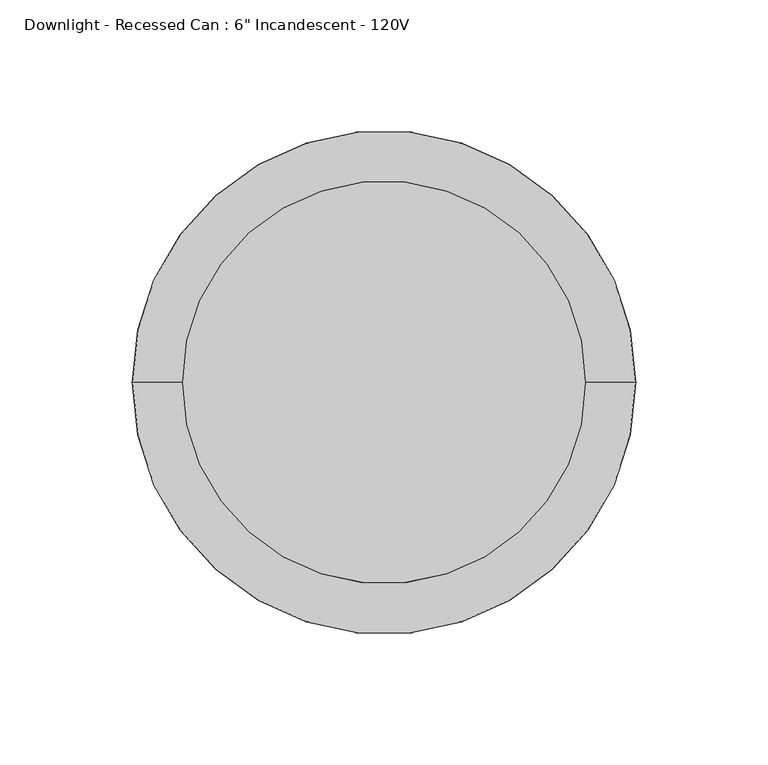
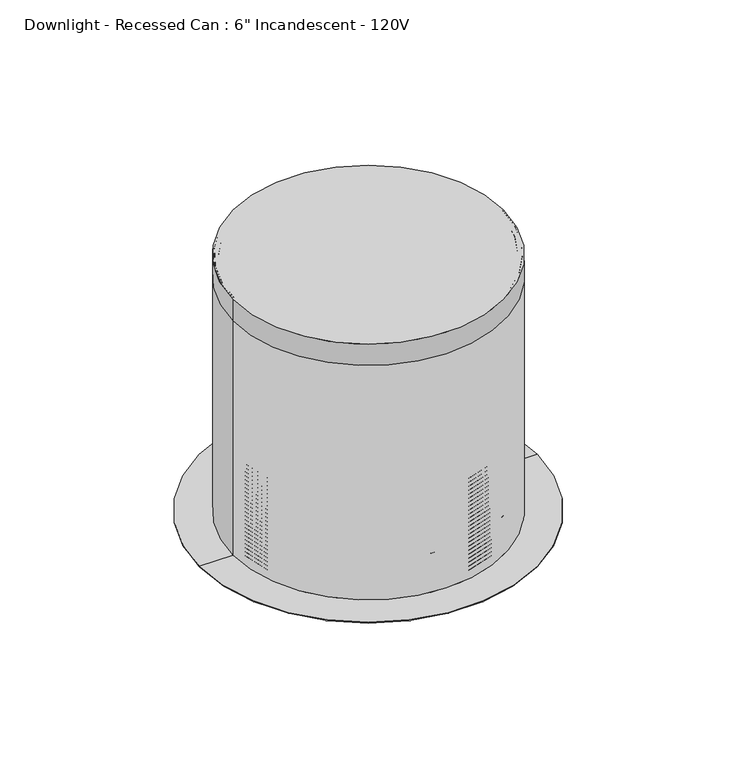
"""IFC4 building model written with IfcOpenShell, lengths in millimetres: light fixture geometry."""

from ifc_helpers import new_model, si_unit, point, frame, origin, origin_2d, place, context, project, spatial, polyline, circle_curve, ellipse_curve, trimmed, segment, composite_curve, outline, extrude, source, transform, mapped, element, save
from ifc_brep_helpers import plane_surface, cylinder_surface, revolved_surface, advanced_brep


def light_fixture_9afefb26(model_context):
    return source(origin(), model_context, "Body", "SolidModel", [
        extrude(outline(composite_curve([segment(trimmed(circle_curve(origin_2d(), 76.2), [point((-76.2, 0.0))], [point((76.2, 0.0))], False, "CARTESIAN"), True, "CONTINUOUS"), segment(trimmed(circle_curve(origin_2d(), 76.2), [point((76.2, 0.0))], [point((-76.2, 0.0))], False, "CARTESIAN"), True, "CONTINUOUS")], self_intersect=False)), frame((0.0, 0.0, 2578.1), z_axis=(0.0, 0.0, 1.0), x_axis=(1.0, 0.0, 0.0)), (0.0, 0.0, 1.0), 12.7),
        advanced_brep(
        [(-75.4062638, 0.0, 2461.1274041), (75.4062638, 0.0, 2461.1274041), (75.4062638, 0.0, 2460.2502292), (-75.4062638, 0.0, 2460.2502292), (0.0, 0.0, 2444.750067), (0.0, 0.0, 2443.95625)],
        [
            (0, 1, circle_curve(frame((0.0, 0.0, 2461.1274041), z_axis=(0.0, 0.0, -1.0), x_axis=(1.0, 0.0, 0.0)), 75.4062638)),
            (1, 2),
            (2, 3, circle_curve(frame((0.0, 0.0, 2460.2502292), z_axis=(0.0, 0.0, 1.0), x_axis=(1.0, 0.0, 0.0)), 75.4062638)),
            (3, 0),
            (1, 0, circle_curve(frame((0.0, 0.0, 2461.1274041), z_axis=(0.0, 0.0, -1.0), x_axis=(1.0, 0.0, 0.0)), 75.4062638)),
            (3, 2, circle_curve(frame((0.0, 0.0, 2460.2502292), z_axis=(0.0, 0.0, 1.0), x_axis=(1.0, 0.0, 0.0)), 75.4062638)),
            (4, 1, circle_curve(frame((2.2331891, 0.0, 2616.2531893), z_axis=(0.0, -1.0, 0.0), x_axis=(1.0, 0.0, 0.0)), 171.5176612)),
            (0, 4, circle_curve(frame((-2.2331891, 0.0, 2616.2531893), z_axis=(0.0, -1.0, 0.0), x_axis=(-1.0, 0.0, 0.0)), 171.5176612)),
            (2, 5, circle_curve(frame((2.2331891, 0.0, 2616.2531893), z_axis=(0.0, 1.0, 0.0), x_axis=(1.0, 0.0, 0.0)), 172.3114112)),
            (5, 3, circle_curve(frame((-2.2331891, 0.0, 2616.2531893), z_axis=(0.0, 1.0, 0.0), x_axis=(-1.0, 0.0, 0.0)), 172.3114112)),
        ],
        [
            cylinder_surface(frame((0.0, 0.0, 2483.4474833), z_axis=(0.0, 0.0, 1.0), x_axis=(1.0, 0.0, 0.0)), 75.4062638),
            revolved_surface(trimmed(ellipse_curve(frame((2.2331891, 0.0, 2616.2531893), z_axis=(0.0, 1.0, 0.0), x_axis=(1.0, 0.0, 0.0)), 171.5176612, 171.5176612), [point((75.4062638, 0.0, 2461.1274041))], [point((0.0, 0.0, 2444.750067))], True, "CARTESIAN"), (0.0, 0.0, 2483.4474833), (0.0, 0.0, 1.0)),
            revolved_surface(trimmed(ellipse_curve(frame((2.2331891, 0.0, 2616.2531893), z_axis=(0.0, -1.0, 0.0), x_axis=(1.0, 0.0, 0.0)), 172.3114112, 172.3114112), [point((0.0, 0.0, 2443.95625))], [point((75.4062638, 0.0, 2460.2502292))], True, "CARTESIAN"), (0.0, 0.0, 2483.4474833), (0.0, 0.0, 1.0)),
        ],
        [
            (0, [[1, 2, 3, 4]]),
            (0, [[5, -4, 6, -2]]),
            (1, [[7, -1, 8]]),
            (1, [[-8, -5, -7]]),
            (2, [[-3, 9, 10]]),
            (2, [[-6, -10, -9]]),
        ],
    ),
        advanced_brep(
        [(0.0, -75.40625, 2590.8), (0.0, 75.40625, 2590.8), (0.0, 75.40625, 2438.4), (0.0, -75.40625, 2438.4), (0.0, -73.025, 2590.8), (0.0, 73.025, 2590.8), (0.0, -73.025, 2497.93125), (0.0, 73.025, 2497.93125), (0.0, -74.215625, 2496.740625), (0.0, 74.215625, 2496.740625), (0.0, -73.025, 2495.55), (0.0, 73.025, 2495.55), (0.0, -74.215625, 2494.359375), (0.0, 74.215625, 2494.359375), (0.0, -73.025, 2493.16875), (0.0, 73.025, 2493.16875), (0.0, -74.215625, 2491.978125), (0.0, 74.215625, 2491.978125), (0.0, -73.025, 2490.7875), (0.0, 73.025, 2490.7875), (0.0, -74.215625, 2489.596875), (0.0, 74.215625, 2489.596875), (0.0, -73.025, 2488.40625), (0.0, 73.025, 2488.40625), (0.0, -74.215625, 2487.215625), (0.0, 74.215625, 2487.215625), (0.0, -73.025, 2486.025), (0.0, 73.025, 2486.025), (0.0, -74.215625, 2484.834375), (0.0, 74.215625, 2484.834375), (0.0, -73.025, 2483.64375), (0.0, 73.025, 2483.64375), (0.0, -74.215625, 2482.453125), (0.0, 74.215625, 2482.453125), (0.0, -73.025, 2481.2625), (0.0, 73.025, 2481.2625), (0.0, -74.215625, 2480.071875), (0.0, 74.215625, 2480.071875), (0.0, -73.025, 2478.88125), (0.0, 73.025, 2478.88125), (0.0, -74.215625, 2477.690625), (0.0, 74.215625, 2477.690625), (0.0, -73.025, 2476.5), (0.0, 73.025, 2476.5), (0.0, -74.215625, 2475.309375), (0.0, 74.215625, 2475.309375), (0.0, -73.025, 2474.11875), (0.0, 73.025, 2474.11875), (0.0, -74.215625, 2472.928125), (0.0, 74.215625, 2472.928125), (0.0, -73.025, 2471.7375), (0.0, 73.025, 2471.7375), (0.0, -74.215625, 2470.546875), (0.0, 74.215625, 2470.546875), (0.0, -73.025, 2469.35625), (0.0, 73.025, 2469.35625), (0.0, -74.215625, 2468.165625), (0.0, 74.215625, 2468.165625), (0.0, -73.025, 2466.975), (0.0, 73.025, 2466.975), (0.0, -74.215625, 2465.784375), (0.0, 74.215625, 2465.784375), (0.0, -73.025, 2464.59375), (0.0, 73.025, 2464.59375), (0.0, -74.215625, 2463.403125), (0.0, 74.215625, 2463.403125), (0.0, -73.025, 2462.2125), (0.0, 73.025, 2462.2125), (0.0, -74.215625, 2461.021875), (0.0, 74.215625, 2461.021875), (0.0, -73.025, 2459.83125), (0.0, 73.025, 2459.83125), (0.0, -74.215625, 2458.640625), (0.0, 74.215625, 2458.640625), (0.0, -73.025, 2457.45), (0.0, 73.025, 2457.45), (0.0, -74.215625, 2456.259375), (0.0, 74.215625, 2456.259375), (0.0, -73.025, 2455.06875), (0.0, 73.025, 2455.06875), (0.0, -74.215625, 2453.878125), (0.0, 74.215625, 2453.878125), (0.0, -73.025, 2452.6875), (0.0, 73.025, 2452.6875), (0.0, -74.215625, 2451.496875), (0.0, 74.215625, 2451.496875), (0.0, -73.025, 2450.30625), (0.0, 73.025, 2450.30625), (0.0, -74.215625, 2449.115625), (0.0, 74.215625, 2449.115625), (0.0, -73.025, 2447.925), (0.0, 73.025, 2447.925), (0.0, -74.215625, 2446.734375), (0.0, 74.215625, 2446.734375), (0.0, -73.025, 2445.54375), (0.0, 73.025, 2445.54375), (0.0, -74.215625, 2444.353125), (0.0, 74.215625, 2444.353125), (0.0, -73.025, 2443.1625), (0.0, 73.025, 2443.1625), (0.0, -74.215625, 2441.971875), (0.0, 74.215625, 2441.971875), (0.0, -73.025, 2440.78125), (0.0, 73.025, 2440.78125)],
        [
            (0, 1, circle_curve(frame((0.0, 0.0, 2590.8), z_axis=(0.0, 0.0, -1.0), x_axis=(0.0, 1.0, 0.0)), 75.40625)),
            (1, 2),
            (2, 3, circle_curve(frame((0.0, 0.0, 2438.4), z_axis=(0.0, 0.0, 1.0), x_axis=(0.0, 1.0, 0.0)), 75.40625)),
            (3, 0),
            (1, 0, circle_curve(frame((0.0, 0.0, 2590.8), z_axis=(0.0, 0.0, -1.0), x_axis=(0.0, 1.0, 0.0)), 75.40625)),
            (3, 2, circle_curve(frame((0.0, 0.0, 2438.4), z_axis=(0.0, 0.0, 1.0), x_axis=(0.0, 1.0, 0.0)), 75.40625)),
            (4, 5, circle_curve(frame((0.0, 0.0, 2590.8), z_axis=(0.0, 0.0, -1.0), x_axis=(0.0, 1.0, 0.0)), 73.025)),
            (5, 1),
            (0, 4),
            (5, 4, circle_curve(frame((0.0, 0.0, 2590.8), z_axis=(0.0, 0.0, -1.0), x_axis=(0.0, 1.0, 0.0)), 73.025)),
            (6, 7, circle_curve(frame((0.0, 0.0, 2497.93125), z_axis=(0.0, 0.0, -1.0), x_axis=(0.0, 1.0, 0.0)), 73.025)),
            (7, 5),
            (4, 6),
            (7, 6, circle_curve(frame((0.0, 0.0, 2497.93125), z_axis=(0.0, 0.0, -1.0), x_axis=(0.0, 1.0, 0.0)), 73.025)),
            (8, 9, circle_curve(frame((0.0, 0.0, 2496.740625), z_axis=(0.0, 0.0, -1.0), x_axis=(0.0, 1.0, 0.0)), 74.215625)),
            (9, 7),
            (6, 8),
            (9, 8, circle_curve(frame((0.0, 0.0, 2496.740625), z_axis=(0.0, 0.0, -1.0), x_axis=(0.0, 1.0, 0.0)), 74.215625)),
            (10, 11, circle_curve(frame((0.0, 0.0, 2495.55), z_axis=(0.0, 0.0, -1.0), x_axis=(0.0, 1.0, 0.0)), 73.025)),
            (11, 9),
            (8, 10),
            (11, 10, circle_curve(frame((0.0, 0.0, 2495.55), z_axis=(0.0, 0.0, -1.0), x_axis=(0.0, 1.0, 0.0)), 73.025)),
            (12, 13, circle_curve(frame((0.0, 0.0, 2494.359375), z_axis=(0.0, 0.0, -1.0), x_axis=(0.0, 1.0, 0.0)), 74.215625)),
            (13, 11),
            (10, 12),
            (13, 12, circle_curve(frame((0.0, 0.0, 2494.359375), z_axis=(0.0, 0.0, -1.0), x_axis=(0.0, 1.0, 0.0)), 74.215625)),
            (14, 15, circle_curve(frame((0.0, 0.0, 2493.16875), z_axis=(0.0, 0.0, -1.0), x_axis=(0.0, 1.0, 0.0)), 73.025)),
            (15, 13),
            (12, 14),
            (15, 14, circle_curve(frame((0.0, 0.0, 2493.16875), z_axis=(0.0, 0.0, -1.0), x_axis=(0.0, 1.0, 0.0)), 73.025)),
            (16, 17, circle_curve(frame((0.0, 0.0, 2491.978125), z_axis=(0.0, 0.0, -1.0), x_axis=(0.0, 1.0, 0.0)), 74.215625)),
            (17, 15),
            (14, 16),
            (17, 16, circle_curve(frame((0.0, 0.0, 2491.978125), z_axis=(0.0, 0.0, -1.0), x_axis=(0.0, 1.0, 0.0)), 74.215625)),
            (18, 19, circle_curve(frame((0.0, 0.0, 2490.7875), z_axis=(0.0, 0.0, -1.0), x_axis=(0.0, 1.0, 0.0)), 73.025)),
            (19, 17),
            (16, 18),
            (19, 18, circle_curve(frame((0.0, 0.0, 2490.7875), z_axis=(0.0, 0.0, -1.0), x_axis=(0.0, 1.0, 0.0)), 73.025)),
            (20, 21, circle_curve(frame((0.0, 0.0, 2489.596875), z_axis=(0.0, 0.0, -1.0), x_axis=(0.0, 1.0, 0.0)), 74.215625)),
            (21, 19),
            (18, 20),
            (21, 20, circle_curve(frame((0.0, 0.0, 2489.596875), z_axis=(0.0, 0.0, -1.0), x_axis=(0.0, 1.0, 0.0)), 74.215625)),
            (22, 23, circle_curve(frame((0.0, 0.0, 2488.40625), z_axis=(0.0, 0.0, -1.0), x_axis=(0.0, 1.0, 0.0)), 73.025)),
            (23, 21),
            (20, 22),
            (23, 22, circle_curve(frame((0.0, 0.0, 2488.40625), z_axis=(0.0, 0.0, -1.0), x_axis=(0.0, 1.0, 0.0)), 73.025)),
            (24, 25, circle_curve(frame((0.0, 0.0, 2487.215625), z_axis=(0.0, 0.0, -1.0), x_axis=(0.0, 1.0, 0.0)), 74.215625)),
            (25, 23),
            (22, 24),
            (25, 24, circle_curve(frame((0.0, 0.0, 2487.215625), z_axis=(0.0, 0.0, -1.0), x_axis=(0.0, 1.0, 0.0)), 74.215625)),
            (26, 27, circle_curve(frame((0.0, 0.0, 2486.025), z_axis=(0.0, 0.0, -1.0), x_axis=(0.0, 1.0, 0.0)), 73.025)),
            (27, 25),
            (24, 26),
            (27, 26, circle_curve(frame((0.0, 0.0, 2486.025), z_axis=(0.0, 0.0, -1.0), x_axis=(0.0, 1.0, 0.0)), 73.025)),
            (28, 29, circle_curve(frame((0.0, 0.0, 2484.834375), z_axis=(0.0, 0.0, -1.0), x_axis=(0.0, 1.0, 0.0)), 74.215625)),
            (29, 27),
            (26, 28),
            (29, 28, circle_curve(frame((0.0, 0.0, 2484.834375), z_axis=(0.0, 0.0, -1.0), x_axis=(0.0, 1.0, 0.0)), 74.215625)),
            (30, 31, circle_curve(frame((0.0, 0.0, 2483.64375), z_axis=(0.0, 0.0, -1.0), x_axis=(0.0, 1.0, 0.0)), 73.025)),
            (31, 29),
            (28, 30),
            (31, 30, circle_curve(frame((0.0, 0.0, 2483.64375), z_axis=(0.0, 0.0, -1.0), x_axis=(0.0, 1.0, 0.0)), 73.025)),
            (32, 33, circle_curve(frame((0.0, 0.0, 2482.453125), z_axis=(0.0, 0.0, -1.0), x_axis=(0.0, 1.0, 0.0)), 74.215625)),
            (33, 31),
            (30, 32),
            (33, 32, circle_curve(frame((0.0, 0.0, 2482.453125), z_axis=(0.0, 0.0, -1.0), x_axis=(0.0, 1.0, 0.0)), 74.215625)),
            (34, 35, circle_curve(frame((0.0, 0.0, 2481.2625), z_axis=(0.0, 0.0, -1.0), x_axis=(0.0, 1.0, 0.0)), 73.025)),
            (35, 33),
            (32, 34),
            (35, 34, circle_curve(frame((0.0, 0.0, 2481.2625), z_axis=(0.0, 0.0, -1.0), x_axis=(0.0, 1.0, 0.0)), 73.025)),
            (36, 37, circle_curve(frame((0.0, 0.0, 2480.071875), z_axis=(0.0, 0.0, -1.0), x_axis=(0.0, 1.0, 0.0)), 74.215625)),
            (37, 35),
            (34, 36),
            (37, 36, circle_curve(frame((0.0, 0.0, 2480.071875), z_axis=(0.0, 0.0, -1.0), x_axis=(0.0, 1.0, 0.0)), 74.215625)),
            (38, 39, circle_curve(frame((0.0, 0.0, 2478.88125), z_axis=(0.0, 0.0, -1.0), x_axis=(0.0, 1.0, 0.0)), 73.025)),
            (39, 37),
            (36, 38),
            (39, 38, circle_curve(frame((0.0, 0.0, 2478.88125), z_axis=(0.0, 0.0, -1.0), x_axis=(0.0, 1.0, 0.0)), 73.025)),
            (40, 41, circle_curve(frame((0.0, 0.0, 2477.690625), z_axis=(0.0, 0.0, -1.0), x_axis=(0.0, 1.0, 0.0)), 74.215625)),
            (41, 39),
            (38, 40),
            (41, 40, circle_curve(frame((0.0, 0.0, 2477.690625), z_axis=(0.0, 0.0, -1.0), x_axis=(0.0, 1.0, 0.0)), 74.215625)),
            (42, 43, circle_curve(frame((0.0, 0.0, 2476.5), z_axis=(0.0, 0.0, -1.0), x_axis=(0.0, 1.0, 0.0)), 73.025)),
            (43, 41),
            (40, 42),
            (43, 42, circle_curve(frame((0.0, 0.0, 2476.5), z_axis=(0.0, 0.0, -1.0), x_axis=(0.0, 1.0, 0.0)), 73.025)),
            (44, 45, circle_curve(frame((0.0, 0.0, 2475.309375), z_axis=(0.0, 0.0, -1.0), x_axis=(0.0, 1.0, 0.0)), 74.215625)),
            (45, 43),
            (42, 44),
            (45, 44, circle_curve(frame((0.0, 0.0, 2475.309375), z_axis=(0.0, 0.0, -1.0), x_axis=(0.0, 1.0, 0.0)), 74.215625)),
            (46, 47, circle_curve(frame((0.0, 0.0, 2474.11875), z_axis=(0.0, 0.0, -1.0), x_axis=(0.0, 1.0, 0.0)), 73.025)),
            (47, 45),
            (44, 46),
            (47, 46, circle_curve(frame((0.0, 0.0, 2474.11875), z_axis=(0.0, 0.0, -1.0), x_axis=(0.0, 1.0, 0.0)), 73.025)),
            (48, 49, circle_curve(frame((0.0, 0.0, 2472.928125), z_axis=(0.0, 0.0, -1.0), x_axis=(0.0, 1.0, 0.0)), 74.215625)),
            (49, 47),
            (46, 48),
            (49, 48, circle_curve(frame((0.0, 0.0, 2472.928125), z_axis=(0.0, 0.0, -1.0), x_axis=(0.0, 1.0, 0.0)), 74.215625)),
            (50, 51, circle_curve(frame((0.0, 0.0, 2471.7375), z_axis=(0.0, 0.0, -1.0), x_axis=(0.0, 1.0, 0.0)), 73.025)),
            (51, 49),
            (48, 50),
            (51, 50, circle_curve(frame((0.0, 0.0, 2471.7375), z_axis=(0.0, 0.0, -1.0), x_axis=(0.0, 1.0, 0.0)), 73.025)),
            (52, 53, circle_curve(frame((0.0, 0.0, 2470.546875), z_axis=(0.0, 0.0, -1.0), x_axis=(0.0, 1.0, 0.0)), 74.215625)),
            (53, 51),
            (50, 52),
            (53, 52, circle_curve(frame((0.0, 0.0, 2470.546875), z_axis=(0.0, 0.0, -1.0), x_axis=(0.0, 1.0, 0.0)), 74.215625)),
            (54, 55, circle_curve(frame((0.0, 0.0, 2469.35625), z_axis=(0.0, 0.0, -1.0), x_axis=(0.0, 1.0, 0.0)), 73.025)),
            (55, 53),
            (52, 54),
            (55, 54, circle_curve(frame((0.0, 0.0, 2469.35625), z_axis=(0.0, 0.0, -1.0), x_axis=(0.0, 1.0, 0.0)), 73.025)),
            (56, 57, circle_curve(frame((0.0, 0.0, 2468.165625), z_axis=(0.0, 0.0, -1.0), x_axis=(0.0, 1.0, 0.0)), 74.215625)),
            (57, 55),
            (54, 56),
            (57, 56, circle_curve(frame((0.0, 0.0, 2468.165625), z_axis=(0.0, 0.0, -1.0), x_axis=(0.0, 1.0, 0.0)), 74.215625)),
            (58, 59, circle_curve(frame((0.0, 0.0, 2466.975), z_axis=(0.0, 0.0, -1.0), x_axis=(0.0, 1.0, 0.0)), 73.025)),
            (59, 57),
            (56, 58),
            (59, 58, circle_curve(frame((0.0, 0.0, 2466.975), z_axis=(0.0, 0.0, -1.0), x_axis=(0.0, 1.0, 0.0)), 73.025)),
            (60, 61, circle_curve(frame((0.0, 0.0, 2465.784375), z_axis=(0.0, 0.0, -1.0), x_axis=(0.0, 1.0, 0.0)), 74.215625)),
            (61, 59),
            (58, 60),
            (61, 60, circle_curve(frame((0.0, 0.0, 2465.784375), z_axis=(0.0, 0.0, -1.0), x_axis=(0.0, 1.0, 0.0)), 74.215625)),
            (62, 63, circle_curve(frame((0.0, 0.0, 2464.59375), z_axis=(0.0, 0.0, -1.0), x_axis=(0.0, 1.0, 0.0)), 73.025)),
            (63, 61),
            (60, 62),
            (63, 62, circle_curve(frame((0.0, 0.0, 2464.59375), z_axis=(0.0, 0.0, -1.0), x_axis=(0.0, 1.0, 0.0)), 73.025)),
            (64, 65, circle_curve(frame((0.0, 0.0, 2463.403125), z_axis=(0.0, 0.0, -1.0), x_axis=(0.0, 1.0, 0.0)), 74.215625)),
            (65, 63),
            (62, 64),
            (65, 64, circle_curve(frame((0.0, 0.0, 2463.403125), z_axis=(0.0, 0.0, -1.0), x_axis=(0.0, 1.0, 0.0)), 74.215625)),
            (66, 67, circle_curve(frame((0.0, 0.0, 2462.2125), z_axis=(0.0, 0.0, -1.0), x_axis=(0.0, 1.0, 0.0)), 73.025)),
            (67, 65),
            (64, 66),
            (67, 66, circle_curve(frame((0.0, 0.0, 2462.2125), z_axis=(0.0, 0.0, -1.0), x_axis=(0.0, 1.0, 0.0)), 73.025)),
            (68, 69, circle_curve(frame((0.0, 0.0, 2461.021875), z_axis=(0.0, 0.0, -1.0), x_axis=(0.0, 1.0, 0.0)), 74.215625)),
            (69, 67),
            (66, 68),
            (69, 68, circle_curve(frame((0.0, 0.0, 2461.021875), z_axis=(0.0, 0.0, -1.0), x_axis=(0.0, 1.0, 0.0)), 74.215625)),
            (70, 71, circle_curve(frame((0.0, 0.0, 2459.83125), z_axis=(0.0, 0.0, -1.0), x_axis=(0.0, 1.0, 0.0)), 73.025)),
            (71, 69),
            (68, 70),
            (71, 70, circle_curve(frame((0.0, 0.0, 2459.83125), z_axis=(0.0, 0.0, -1.0), x_axis=(0.0, 1.0, 0.0)), 73.025)),
            (72, 73, circle_curve(frame((0.0, 0.0, 2458.640625), z_axis=(0.0, 0.0, -1.0), x_axis=(0.0, 1.0, 0.0)), 74.215625)),
            (73, 71),
            (70, 72),
            (73, 72, circle_curve(frame((0.0, 0.0, 2458.640625), z_axis=(0.0, 0.0, -1.0), x_axis=(0.0, 1.0, 0.0)), 74.215625)),
            (74, 75, circle_curve(frame((0.0, 0.0, 2457.45), z_axis=(0.0, 0.0, -1.0), x_axis=(0.0, 1.0, 0.0)), 73.025)),
            (75, 73),
            (72, 74),
            (75, 74, circle_curve(frame((0.0, 0.0, 2457.45), z_axis=(0.0, 0.0, -1.0), x_axis=(0.0, 1.0, 0.0)), 73.025)),
            (76, 77, circle_curve(frame((0.0, 0.0, 2456.259375), z_axis=(0.0, 0.0, -1.0), x_axis=(0.0, 1.0, 0.0)), 74.215625)),
            (77, 75),
            (74, 76),
            (77, 76, circle_curve(frame((0.0, 0.0, 2456.259375), z_axis=(0.0, 0.0, -1.0), x_axis=(0.0, 1.0, 0.0)), 74.215625)),
            (78, 79, circle_curve(frame((0.0, 0.0, 2455.06875), z_axis=(0.0, 0.0, -1.0), x_axis=(0.0, 1.0, 0.0)), 73.025)),
            (79, 77),
            (76, 78),
            (79, 78, circle_curve(frame((0.0, 0.0, 2455.06875), z_axis=(0.0, 0.0, -1.0), x_axis=(0.0, 1.0, 0.0)), 73.025)),
            (80, 81, circle_curve(frame((0.0, 0.0, 2453.878125), z_axis=(0.0, 0.0, -1.0), x_axis=(0.0, 1.0, 0.0)), 74.215625)),
            (81, 79),
            (78, 80),
            (81, 80, circle_curve(frame((0.0, 0.0, 2453.878125), z_axis=(0.0, 0.0, -1.0), x_axis=(0.0, 1.0, 0.0)), 74.215625)),
            (82, 83, circle_curve(frame((0.0, 0.0, 2452.6875), z_axis=(0.0, 0.0, -1.0), x_axis=(0.0, 1.0, 0.0)), 73.025)),
            (83, 81),
            (80, 82),
            (83, 82, circle_curve(frame((0.0, 0.0, 2452.6875), z_axis=(0.0, 0.0, -1.0), x_axis=(0.0, 1.0, 0.0)), 73.025)),
            (84, 85, circle_curve(frame((0.0, 0.0, 2451.496875), z_axis=(0.0, 0.0, -1.0), x_axis=(0.0, 1.0, 0.0)), 74.215625)),
            (85, 83),
            (82, 84),
            (85, 84, circle_curve(frame((0.0, 0.0, 2451.496875), z_axis=(0.0, 0.0, -1.0), x_axis=(0.0, 1.0, 0.0)), 74.215625)),
            (86, 87, circle_curve(frame((0.0, 0.0, 2450.30625), z_axis=(0.0, 0.0, -1.0), x_axis=(0.0, 1.0, 0.0)), 73.025)),
            (87, 85),
            (84, 86),
            (87, 86, circle_curve(frame((0.0, 0.0, 2450.30625), z_axis=(0.0, 0.0, -1.0), x_axis=(0.0, 1.0, 0.0)), 73.025)),
            (88, 89, circle_curve(frame((0.0, 0.0, 2449.115625), z_axis=(0.0, 0.0, -1.0), x_axis=(0.0, 1.0, 0.0)), 74.215625)),
            (89, 87),
            (86, 88),
            (89, 88, circle_curve(frame((0.0, 0.0, 2449.115625), z_axis=(0.0, 0.0, -1.0), x_axis=(0.0, 1.0, 0.0)), 74.215625)),
            (90, 91, circle_curve(frame((0.0, 0.0, 2447.925), z_axis=(0.0, 0.0, -1.0), x_axis=(0.0, 1.0, 0.0)), 73.025)),
            (91, 89),
            (88, 90),
            (91, 90, circle_curve(frame((0.0, 0.0, 2447.925), z_axis=(0.0, 0.0, -1.0), x_axis=(0.0, 1.0, 0.0)), 73.025)),
            (92, 93, circle_curve(frame((0.0, 0.0, 2446.734375), z_axis=(0.0, 0.0, -1.0), x_axis=(0.0, 1.0, 0.0)), 74.215625)),
            (93, 91),
            (90, 92),
            (93, 92, circle_curve(frame((0.0, 0.0, 2446.734375), z_axis=(0.0, 0.0, -1.0), x_axis=(0.0, 1.0, 0.0)), 74.215625)),
            (94, 95, circle_curve(frame((0.0, 0.0, 2445.54375), z_axis=(0.0, 0.0, -1.0), x_axis=(0.0, 1.0, 0.0)), 73.025)),
            (95, 93),
            (92, 94),
            (95, 94, circle_curve(frame((0.0, 0.0, 2445.54375), z_axis=(0.0, 0.0, -1.0), x_axis=(0.0, 1.0, 0.0)), 73.025)),
            (96, 97, circle_curve(frame((0.0, 0.0, 2444.353125), z_axis=(0.0, 0.0, -1.0), x_axis=(0.0, 1.0, 0.0)), 74.215625)),
            (97, 95),
            (94, 96),
            (97, 96, circle_curve(frame((0.0, 0.0, 2444.353125), z_axis=(0.0, 0.0, -1.0), x_axis=(0.0, 1.0, 0.0)), 74.215625)),
            (98, 99, circle_curve(frame((0.0, 0.0, 2443.1625), z_axis=(0.0, 0.0, -1.0), x_axis=(0.0, 1.0, 0.0)), 73.025)),
            (99, 97),
            (96, 98),
            (99, 98, circle_curve(frame((0.0, 0.0, 2443.1625), z_axis=(0.0, 0.0, -1.0), x_axis=(0.0, 1.0, 0.0)), 73.025)),
            (100, 101, circle_curve(frame((0.0, 0.0, 2441.971875), z_axis=(0.0, 0.0, -1.0), x_axis=(0.0, 1.0, 0.0)), 74.215625)),
            (101, 99),
            (98, 100),
            (101, 100, circle_curve(frame((0.0, 0.0, 2441.971875), z_axis=(0.0, 0.0, -1.0), x_axis=(0.0, 1.0, 0.0)), 74.215625)),
            (102, 103, circle_curve(frame((0.0, 0.0, 2440.78125), z_axis=(0.0, 0.0, -1.0), x_axis=(0.0, 1.0, 0.0)), 73.025)),
            (103, 101),
            (100, 102),
            (103, 102, circle_curve(frame((0.0, 0.0, 2440.78125), z_axis=(0.0, 0.0, -1.0), x_axis=(0.0, 1.0, 0.0)), 73.025)),
            (2, 103),
            (102, 3),
        ],
        [
            cylinder_surface(frame((0.0, 0.0, 2410.61875), z_axis=(0.0, 0.0, 1.0), x_axis=(0.0, 1.0, 0.0)), 75.40625),
            plane_surface(frame((0.0, 0.0, 2590.8), z_axis=(0.0, 0.0, 1.0), x_axis=(0.0, 1.0, 0.0))),
            revolved_surface(polyline([(0.0, 73.025, 2590.8), (0.0, 73.025, 2497.93125)]), (0.0, 0.0, 2410.61875), (0.0, 0.0, 1.0)),
            revolved_surface(polyline([(0.0, 73.025, 2497.93125), (0.0, 74.215625, 2496.740625)]), (0.0, 0.0, 2410.61875), (0.0, 0.0, 1.0)),
            revolved_surface(polyline([(0.0, 74.215625, 2496.740625), (0.0, 73.025, 2495.55)]), (0.0, 0.0, 2410.61875), (0.0, 0.0, 1.0)),
            revolved_surface(polyline([(0.0, 73.025, 2495.55), (0.0, 74.215625, 2494.359375)]), (0.0, 0.0, 2410.61875), (0.0, 0.0, 1.0)),
            revolved_surface(polyline([(0.0, 74.215625, 2494.359375), (0.0, 73.025, 2493.16875)]), (0.0, 0.0, 2410.61875), (0.0, 0.0, 1.0)),
            revolved_surface(polyline([(0.0, 73.025, 2493.16875), (0.0, 74.215625, 2491.978125)]), (0.0, 0.0, 2410.61875), (0.0, 0.0, 1.0)),
            revolved_surface(polyline([(0.0, 74.215625, 2491.978125), (0.0, 73.025, 2490.7875)]), (0.0, 0.0, 2410.61875), (0.0, 0.0, 1.0)),
            revolved_surface(polyline([(0.0, 73.025, 2490.7875), (0.0, 74.215625, 2489.596875)]), (0.0, 0.0, 2410.61875), (0.0, 0.0, 1.0)),
            revolved_surface(polyline([(0.0, 74.215625, 2489.596875), (0.0, 73.025, 2488.40625)]), (0.0, 0.0, 2410.61875), (0.0, 0.0, 1.0)),
            revolved_surface(polyline([(0.0, 73.025, 2488.40625), (0.0, 74.215625, 2487.215625)]), (0.0, 0.0, 2410.61875), (0.0, 0.0, 1.0)),
            revolved_surface(polyline([(0.0, 74.215625, 2487.215625), (0.0, 73.025, 2486.025)]), (0.0, 0.0, 2410.61875), (0.0, 0.0, 1.0)),
            revolved_surface(polyline([(0.0, 73.025, 2486.025), (0.0, 74.215625, 2484.834375)]), (0.0, 0.0, 2410.61875), (0.0, 0.0, 1.0)),
            revolved_surface(polyline([(0.0, 74.215625, 2484.834375), (0.0, 73.025, 2483.64375)]), (0.0, 0.0, 2410.61875), (0.0, 0.0, 1.0)),
            revolved_surface(polyline([(0.0, 73.025, 2483.64375), (0.0, 74.215625, 2482.453125)]), (0.0, 0.0, 2410.61875), (0.0, 0.0, 1.0)),
            revolved_surface(polyline([(0.0, 74.215625, 2482.453125), (0.0, 73.025, 2481.2625)]), (0.0, 0.0, 2410.61875), (0.0, 0.0, 1.0)),
            revolved_surface(polyline([(0.0, 73.025, 2481.2625), (0.0, 74.215625, 2480.071875)]), (0.0, 0.0, 2410.61875), (0.0, 0.0, 1.0)),
            revolved_surface(polyline([(0.0, 74.215625, 2480.071875), (0.0, 73.025, 2478.88125)]), (0.0, 0.0, 2410.61875), (0.0, 0.0, 1.0)),
            revolved_surface(polyline([(0.0, 73.025, 2478.88125), (0.0, 74.215625, 2477.690625)]), (0.0, 0.0, 2410.61875), (0.0, 0.0, 1.0)),
            revolved_surface(polyline([(0.0, 74.215625, 2477.690625), (0.0, 73.025, 2476.5)]), (0.0, 0.0, 2410.61875), (0.0, 0.0, 1.0)),
            revolved_surface(polyline([(0.0, 73.025, 2476.5), (0.0, 74.215625, 2475.309375)]), (0.0, 0.0, 2410.61875), (0.0, 0.0, 1.0)),
            revolved_surface(polyline([(0.0, 74.215625, 2475.309375), (0.0, 73.025, 2474.11875)]), (0.0, 0.0, 2410.61875), (0.0, 0.0, 1.0)),
            revolved_surface(polyline([(0.0, 73.025, 2474.11875), (0.0, 74.215625, 2472.928125)]), (0.0, 0.0, 2410.61875), (0.0, 0.0, 1.0)),
            revolved_surface(polyline([(0.0, 74.215625, 2472.928125), (0.0, 73.025, 2471.7375)]), (0.0, 0.0, 2410.61875), (0.0, 0.0, 1.0)),
            revolved_surface(polyline([(0.0, 73.025, 2471.7375), (0.0, 74.215625, 2470.546875)]), (0.0, 0.0, 2410.61875), (0.0, 0.0, 1.0)),
            revolved_surface(polyline([(0.0, 74.215625, 2470.546875), (0.0, 73.025, 2469.35625)]), (0.0, 0.0, 2410.61875), (0.0, 0.0, 1.0)),
            revolved_surface(polyline([(0.0, 73.025, 2469.35625), (0.0, 74.215625, 2468.165625)]), (0.0, 0.0, 2410.61875), (0.0, 0.0, 1.0)),
            revolved_surface(polyline([(0.0, 74.215625, 2468.165625), (0.0, 73.025, 2466.975)]), (0.0, 0.0, 2410.61875), (0.0, 0.0, 1.0)),
            revolved_surface(polyline([(0.0, 73.025, 2466.975), (0.0, 74.215625, 2465.784375)]), (0.0, 0.0, 2410.61875), (0.0, 0.0, 1.0)),
            revolved_surface(polyline([(0.0, 74.215625, 2465.784375), (0.0, 73.025, 2464.59375)]), (0.0, 0.0, 2410.61875), (0.0, 0.0, 1.0)),
            revolved_surface(polyline([(0.0, 73.025, 2464.59375), (0.0, 74.215625, 2463.403125)]), (0.0, 0.0, 2410.61875), (0.0, 0.0, 1.0)),
            revolved_surface(polyline([(0.0, 74.215625, 2463.403125), (0.0, 73.025, 2462.2125)]), (0.0, 0.0, 2410.61875), (0.0, 0.0, 1.0)),
            revolved_surface(polyline([(0.0, 73.025, 2462.2125), (0.0, 74.215625, 2461.021875)]), (0.0, 0.0, 2410.61875), (0.0, 0.0, 1.0)),
            revolved_surface(polyline([(0.0, 74.215625, 2461.021875), (0.0, 73.025, 2459.83125)]), (0.0, 0.0, 2410.61875), (0.0, 0.0, 1.0)),
            revolved_surface(polyline([(0.0, 73.025, 2459.83125), (0.0, 74.215625, 2458.640625)]), (0.0, 0.0, 2410.61875), (0.0, 0.0, 1.0)),
            revolved_surface(polyline([(0.0, 74.215625, 2458.640625), (0.0, 73.025, 2457.45)]), (0.0, 0.0, 2410.61875), (0.0, 0.0, 1.0)),
            revolved_surface(polyline([(0.0, 73.025, 2457.45), (0.0, 74.215625, 2456.259375)]), (0.0, 0.0, 2410.61875), (0.0, 0.0, 1.0)),
            revolved_surface(polyline([(0.0, 74.215625, 2456.259375), (0.0, 73.025, 2455.06875)]), (0.0, 0.0, 2410.61875), (0.0, 0.0, 1.0)),
            revolved_surface(polyline([(0.0, 73.025, 2455.06875), (0.0, 74.215625, 2453.878125)]), (0.0, 0.0, 2410.61875), (0.0, 0.0, 1.0)),
            revolved_surface(polyline([(0.0, 74.215625, 2453.878125), (0.0, 73.025, 2452.6875)]), (0.0, 0.0, 2410.61875), (0.0, 0.0, 1.0)),
            revolved_surface(polyline([(0.0, 73.025, 2452.6875), (0.0, 74.215625, 2451.496875)]), (0.0, 0.0, 2410.61875), (0.0, 0.0, 1.0)),
            revolved_surface(polyline([(0.0, 74.215625, 2451.496875), (0.0, 73.025, 2450.30625)]), (0.0, 0.0, 2410.61875), (0.0, 0.0, 1.0)),
            revolved_surface(polyline([(0.0, 73.025, 2450.30625), (0.0, 74.215625, 2449.115625)]), (0.0, 0.0, 2410.61875), (0.0, 0.0, 1.0)),
            revolved_surface(polyline([(0.0, 74.215625, 2449.115625), (0.0, 73.025, 2447.925)]), (0.0, 0.0, 2410.61875), (0.0, 0.0, 1.0)),
            revolved_surface(polyline([(0.0, 73.025, 2447.925), (0.0, 74.215625, 2446.734375)]), (0.0, 0.0, 2410.61875), (0.0, 0.0, 1.0)),
            revolved_surface(polyline([(0.0, 74.215625, 2446.734375), (0.0, 73.025, 2445.54375)]), (0.0, 0.0, 2410.61875), (0.0, 0.0, 1.0)),
            revolved_surface(polyline([(0.0, 73.025, 2445.54375), (0.0, 74.215625, 2444.353125)]), (0.0, 0.0, 2410.61875), (0.0, 0.0, 1.0)),
            revolved_surface(polyline([(0.0, 74.215625, 2444.353125), (0.0, 73.025, 2443.1625)]), (0.0, 0.0, 2410.61875), (0.0, 0.0, 1.0)),
            revolved_surface(polyline([(0.0, 73.025, 2443.1625), (0.0, 74.215625, 2441.971875)]), (0.0, 0.0, 2410.61875), (0.0, 0.0, 1.0)),
            revolved_surface(polyline([(0.0, 74.215625, 2441.971875), (0.0, 73.025, 2440.78125)]), (0.0, 0.0, 2410.61875), (0.0, 0.0, 1.0)),
            revolved_surface(polyline([(0.0, 73.025, 2440.78125), (0.0, 75.40625, 2438.4)]), (0.0, 0.0, 2410.61875), (0.0, 0.0, 1.0)),
        ],
        [
            (0, [[1, 2, 3, 4]]),
            (0, [[5, -4, 6, -2]]),
            (1, [[7, 8, -1, 9]]),
            (1, [[10, -9, -5, -8]]),
            (2, [[11, 12, -7, 13]]),
            (2, [[14, -13, -10, -12]]),
            (3, [[15, 16, -11, 17]]),
            (3, [[18, -17, -14, -16]]),
            (4, [[19, 20, -15, 21]]),
            (4, [[22, -21, -18, -20]]),
            (5, [[23, 24, -19, 25]]),
            (5, [[26, -25, -22, -24]]),
            (6, [[27, 28, -23, 29]]),
            (6, [[30, -29, -26, -28]]),
            (7, [[31, 32, -27, 33]]),
            (7, [[34, -33, -30, -32]]),
            (8, [[35, 36, -31, 37]]),
            (8, [[38, -37, -34, -36]]),
            (9, [[39, 40, -35, 41]]),
            (9, [[42, -41, -38, -40]]),
            (10, [[43, 44, -39, 45]]),
            (10, [[46, -45, -42, -44]]),
            (11, [[47, 48, -43, 49]]),
            (11, [[50, -49, -46, -48]]),
            (12, [[51, 52, -47, 53]]),
            (12, [[54, -53, -50, -52]]),
            (13, [[55, 56, -51, 57]]),
            (13, [[58, -57, -54, -56]]),
            (14, [[59, 60, -55, 61]]),
            (14, [[62, -61, -58, -60]]),
            (15, [[63, 64, -59, 65]]),
            (15, [[66, -65, -62, -64]]),
            (16, [[67, 68, -63, 69]]),
            (16, [[70, -69, -66, -68]]),
            (17, [[71, 72, -67, 73]]),
            (17, [[74, -73, -70, -72]]),
            (18, [[75, 76, -71, 77]]),
            (18, [[78, -77, -74, -76]]),
            (19, [[79, 80, -75, 81]]),
            (19, [[82, -81, -78, -80]]),
            (20, [[83, 84, -79, 85]]),
            (20, [[86, -85, -82, -84]]),
            (21, [[87, 88, -83, 89]]),
            (21, [[90, -89, -86, -88]]),
            (22, [[91, 92, -87, 93]]),
            (22, [[94, -93, -90, -92]]),
            (23, [[95, 96, -91, 97]]),
            (23, [[98, -97, -94, -96]]),
            (24, [[99, 100, -95, 101]]),
            (24, [[102, -101, -98, -100]]),
            (25, [[103, 104, -99, 105]]),
            (25, [[106, -105, -102, -104]]),
            (26, [[107, 108, -103, 109]]),
            (26, [[110, -109, -106, -108]]),
            (27, [[111, 112, -107, 113]]),
            (27, [[114, -113, -110, -112]]),
            (28, [[115, 116, -111, 117]]),
            (28, [[118, -117, -114, -116]]),
            (29, [[119, 120, -115, 121]]),
            (29, [[122, -121, -118, -120]]),
            (30, [[123, 124, -119, 125]]),
            (30, [[126, -125, -122, -124]]),
            (31, [[127, 128, -123, 129]]),
            (31, [[130, -129, -126, -128]]),
            (32, [[131, 132, -127, 133]]),
            (32, [[134, -133, -130, -132]]),
            (33, [[135, 136, -131, 137]]),
            (33, [[138, -137, -134, -136]]),
            (34, [[139, 140, -135, 141]]),
            (34, [[142, -141, -138, -140]]),
            (35, [[143, 144, -139, 145]]),
            (35, [[146, -145, -142, -144]]),
            (36, [[147, 148, -143, 149]]),
            (36, [[150, -149, -146, -148]]),
            (37, [[151, 152, -147, 153]]),
            (37, [[154, -153, -150, -152]]),
            (38, [[155, 156, -151, 157]]),
            (38, [[158, -157, -154, -156]]),
            (39, [[159, 160, -155, 161]]),
            (39, [[162, -161, -158, -160]]),
            (40, [[163, 164, -159, 165]]),
            (40, [[166, -165, -162, -164]]),
            (41, [[167, 168, -163, 169]]),
            (41, [[170, -169, -166, -168]]),
            (42, [[171, 172, -167, 173]]),
            (42, [[174, -173, -170, -172]]),
            (43, [[175, 176, -171, 177]]),
            (43, [[178, -177, -174, -176]]),
            (44, [[179, 180, -175, 181]]),
            (44, [[182, -181, -178, -180]]),
            (45, [[183, 184, -179, 185]]),
            (45, [[186, -185, -182, -184]]),
            (46, [[187, 188, -183, 189]]),
            (46, [[190, -189, -186, -188]]),
            (47, [[191, 192, -187, 193]]),
            (47, [[194, -193, -190, -192]]),
            (48, [[195, 196, -191, 197]]),
            (48, [[198, -197, -194, -196]]),
            (49, [[199, 200, -195, 201]]),
            (49, [[202, -201, -198, -200]]),
            (50, [[203, 204, -199, 205]]),
            (50, [[206, -205, -202, -204]]),
            (51, [[-3, 207, -203, 208]]),
            (51, [[-6, -208, -206, -207]]),
        ],
    ),
        advanced_brep(
        [(-76.2, 0.0, 2438.4), (76.2, 0.0, 2438.4), (76.2, 0.0, 2590.8), (-76.2, 0.0, 2590.8), (-95.25, 0.0, 2438.4), (95.25, 0.0, 2438.4), (-94.5415485, 0.0, 2437.5691216), (94.5415485, 0.0, 2437.5691216), (-76.6546358, 0.0, 2436.6317083), (76.6546358, 0.0, 2436.6317083), (-75.40625, 0.0, 2437.8163821), (75.40625, 0.0, 2437.8163821), (-75.40625, 0.0, 2590.8), (75.40625, 0.0, 2590.8)],
        [
            (0, 1, circle_curve(frame((0.0, 0.0, 2438.4), z_axis=(0.0, 0.0, 1.0), x_axis=(1.0, 0.0, 0.0)), 76.2)),
            (1, 2),
            (2, 3, circle_curve(frame((0.0, 0.0, 2590.8), z_axis=(0.0, 0.0, -1.0), x_axis=(1.0, 0.0, 0.0)), 76.2)),
            (3, 0),
            (1, 0, circle_curve(frame((0.0, 0.0, 2438.4), z_axis=(0.0, 0.0, 1.0), x_axis=(1.0, 0.0, 0.0)), 76.2)),
            (3, 2, circle_curve(frame((0.0, 0.0, 2590.8), z_axis=(0.0, 0.0, -1.0), x_axis=(1.0, 0.0, 0.0)), 76.2)),
            (4, 5, circle_curve(frame((0.0, 0.0, 2438.4), z_axis=(0.0, 0.0, 1.0), x_axis=(1.0, 0.0, 0.0)), 95.25)),
            (5, 1),
            (0, 4),
            (5, 4, circle_curve(frame((0.0, 0.0, 2438.4), z_axis=(0.0, 0.0, 1.0), x_axis=(1.0, 0.0, 0.0)), 95.25)),
            (6, 7, circle_curve(frame((0.0, 0.0, 2437.5691216), z_axis=(0.0, 0.0, 1.0), x_axis=(1.0, 0.0, 0.0)), 94.5415485)),
            (7, 5, circle_curve(frame((94.5021886, 0.0, 2438.320153), z_axis=(0.0, -1.0, 0.0), x_axis=(0.0, 0.0, 1.0)), 0.7520621)),
            (4, 6, circle_curve(frame((-94.5021886, 0.0, 2438.320153), z_axis=(0.0, -1.0, 0.0), x_axis=(0.0, 0.0, 1.0)), 0.7520621)),
            (7, 6, circle_curve(frame((0.0, 0.0, 2437.5691216), z_axis=(0.0, 0.0, 1.0), x_axis=(1.0, 0.0, 0.0)), 94.5415485)),
            (8, 9, circle_curve(frame((0.0, 0.0, 2436.6317083), z_axis=(0.0, 0.0, 1.0), x_axis=(1.0, 0.0, 0.0)), 76.6546358)),
            (9, 7),
            (6, 8),
            (9, 8, circle_curve(frame((0.0, 0.0, 2436.6317083), z_axis=(0.0, 0.0, 1.0), x_axis=(1.0, 0.0, 0.0)), 76.6546358)),
            (10, 11, circle_curve(frame((0.0, 0.0, 2437.8163821), z_axis=(0.0, 0.0, 1.0), x_axis=(1.0, 0.0, 0.0)), 75.40625)),
            (11, 9, circle_curve(frame((76.5925496, 0.0, 2437.8163821), z_axis=(0.0, -1.0, 0.0), x_axis=(0.0, 0.0, 1.0)), 1.1862996)),
            (8, 10, circle_curve(frame((-76.5925496, 0.0, 2437.8163821), z_axis=(0.0, -1.0, 0.0), x_axis=(0.0, 0.0, 1.0)), 1.1862996)),
            (11, 10, circle_curve(frame((0.0, 0.0, 2437.8163821), z_axis=(0.0, 0.0, 1.0), x_axis=(1.0, 0.0, 0.0)), 75.40625)),
            (12, 13, circle_curve(frame((0.0, 0.0, 2590.8), z_axis=(0.0, 0.0, 1.0), x_axis=(1.0, 0.0, 0.0)), 75.40625)),
            (13, 11),
            (10, 12),
            (13, 12, circle_curve(frame((0.0, 0.0, 2590.8), z_axis=(0.0, 0.0, 1.0), x_axis=(1.0, 0.0, 0.0)), 75.40625)),
            (2, 13),
            (12, 3),
        ],
        [
            cylinder_surface(frame((0.0, 0.0, 2635.25), z_axis=(0.0, 0.0, -1.0), x_axis=(1.0, 0.0, 0.0)), 76.2),
            plane_surface(frame((0.0, 0.0, 2438.4), z_axis=(0.0, 0.0, 1.0), x_axis=(1.0, 0.0, 0.0))),
            revolved_surface(trimmed(ellipse_curve(frame((94.5021886, 0.0, 2438.320153), z_axis=(0.0, 1.0, 0.0), x_axis=(0.0, 0.0, 1.0)), 0.7520621, 0.7520621), [point((95.25, 0.0, 2438.4))], [point((94.5415485, 0.0, 2437.5691216))], True, "CARTESIAN"), (0.0, 0.0, 2635.25), (0.0, 0.0, -1.0)),
            revolved_surface(polyline([(94.5415485, 0.0, 2437.5691216), (76.6546358, 0.0, 2436.6317083)]), (0.0, 0.0, 2635.25), (0.0, 0.0, -1.0)),
            revolved_surface(trimmed(ellipse_curve(frame((76.5925496, 0.0, 2437.8163821), z_axis=(0.0, 1.0, 0.0), x_axis=(0.0, 0.0, 1.0)), 1.1862996, 1.1862996), [point((76.6546358, 0.0, 2436.6317083))], [point((75.40625, 0.0, 2437.8163821))], True, "CARTESIAN"), (0.0, 0.0, 2635.25), (0.0, 0.0, -1.0)),
            revolved_surface(polyline([(75.40625, 0.0, 2437.8163821), (75.40625, 0.0, 2590.8)]), (0.0, 0.0, 2635.25), (0.0, 0.0, -1.0)),
            plane_surface(frame((0.0, 0.0, 2590.8), z_axis=(0.0, 0.0, 1.0), x_axis=(1.0, 0.0, 0.0))),
        ],
        [
            (0, [[1, 2, 3, 4]]),
            (0, [[5, -4, 6, -2]]),
            (1, [[7, 8, -1, 9]]),
            (1, [[10, -9, -5, -8]]),
            (2, [[11, 12, -7, 13]]),
            (2, [[14, -13, -10, -12]]),
            (3, [[15, 16, -11, 17]]),
            (3, [[18, -17, -14, -16]]),
            (4, [[19, 20, -15, 21]]),
            (4, [[22, -21, -18, -20]]),
            (5, [[23, 24, -19, 25]]),
            (5, [[26, -25, -22, -24]]),
            (6, [[-3, 27, -23, 28]]),
            (6, [[-6, -28, -26, -27]]),
        ],
    ),
    ])


if __name__ == "__main__":
    model = new_model("IFC4")
    model_context = context("Model", 3, world=origin())
    ifc_project = project(units=[si_unit("LENGTHUNIT", "METRE", prefix="MILLI")], contexts=[model_context])
    site = spatial("IfcSite", under=ifc_project)
    building = spatial("IfcBuilding", under=site)
    placement = place(None, origin())
    light_fixture_shape = light_fixture_9afefb26(model_context)
    element("IfcLightFixture", 1, ObjectType="Downlight - Recessed Can : 6\" Incandescent - 120V", at=placement, inside=building, context=model_context, shape_type="MappedRepresentation", body=[
        mapped(light_fixture_shape, transform((0.0, 0.0, 0.0), x_axis=(1.0, 0.0, 0.0), y_axis=(0.0, 1.0, 0.0), z_axis=(0.0, 0.0, 1.0))),
    ])
    save(model, "model.ifc")
